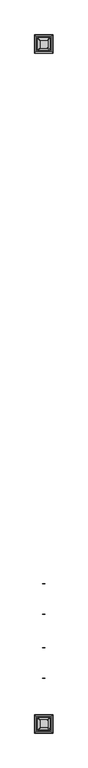
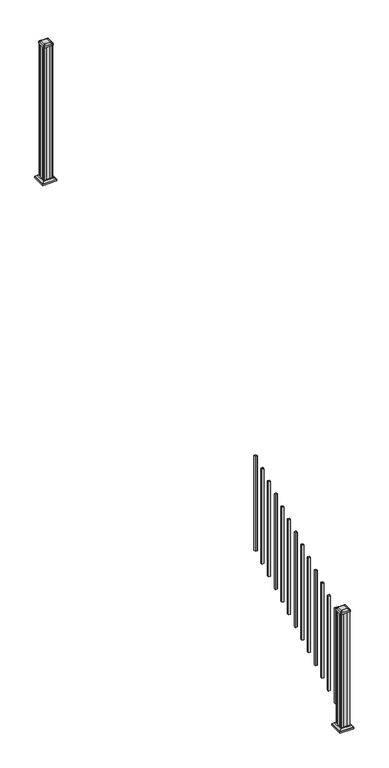
"""IFC4 building model written with IfcOpenShell, lengths in millimetres: railing geometry."""

from ifc_helpers import new_model, si_unit, point, frame, frame_2d, origin, place, context, project, spatial, polyline, circle_curve, trimmed, segment, composite_curve, outline, extrude, faceted_brep, source, transform, mapped, element, save
from ifc_brep_helpers import plane_surface, extruded_surface, advanced_brep


def railing_3f14f78f(model_context):
    return source(origin(), model_context, "Body", "SolidModel", [
        extrude(outline(polyline([(14471.4692659, 3183.9180319), (14471.4692659, 3202.9680319), (14490.5192659, 3202.9680319), (14490.5192659, 3183.9180319), (14471.4692659, 3183.9180319)]), holes=[polyline([(14471.8661409, 3184.3149069), (14490.1223909, 3184.3149069), (14490.1223909, 3202.5711569), (14471.8661409, 3202.5711569), (14471.8661409, 3184.3149069)])]), frame((0.0, 0.0, 1056.7417114), z_axis=(0.0, 0.0, 1.0), x_axis=(1.0, 0.0, 0.0)), (0.0, 0.0, 1.0), 965.2041219),
        extrude(outline(polyline([(14471.4692659, 3072.7930319), (14471.4692659, 3091.8430319), (14490.5192659, 3091.8430319), (14490.5192659, 3072.7930319), (14471.4692659, 3072.7930319)]), holes=[polyline([(14471.8661409, 3073.1899069), (14490.1223909, 3073.1899069), (14490.1223909, 3091.4461569), (14471.8661409, 3091.4461569), (14471.8661409, 3073.1899069)])]), frame((0.0, 0.0, 995.0056003), z_axis=(0.0, 0.0, 1.0), x_axis=(1.0, 0.0, 0.0)), (0.0, 0.0, 1.0), 965.2041219),
        extrude(outline(polyline([(14471.4692659, 2961.6680319), (14471.4692659, 2980.7180319), (14490.5192659, 2980.7180319), (14490.5192659, 2961.6680319), (14471.4692659, 2961.6680319)]), holes=[polyline([(14471.8661409, 2962.0649069), (14490.1223909, 2962.0649069), (14490.1223909, 2980.3211569), (14471.8661409, 2980.3211569), (14471.8661409, 2962.0649069)])]), frame((0.0, 0.0, 933.2694892), z_axis=(0.0, 0.0, 1.0), x_axis=(1.0, 0.0, 0.0)), (0.0, 0.0, 1.0), 965.2041219),
        extrude(outline(polyline([(14471.4692659, 2850.5430319), (14471.4692659, 2869.5930319), (14490.5192659, 2869.5930319), (14490.5192659, 2850.5430319), (14471.4692659, 2850.5430319)]), holes=[polyline([(14471.8661409, 2850.9399069), (14490.1223909, 2850.9399069), (14490.1223909, 2869.1961569), (14471.8661409, 2869.1961569), (14471.8661409, 2850.9399069)])]), frame((0.0, 0.0, 871.5333781), z_axis=(0.0, 0.0, 1.0), x_axis=(1.0, 0.0, 0.0)), (0.0, 0.0, 1.0), 965.2041219),
        extrude(outline(polyline([(14471.4692659, 2739.4180319), (14471.4692659, 2758.4680319), (14490.5192659, 2758.4680319), (14490.5192659, 2739.4180319), (14471.4692659, 2739.4180319)]), holes=[polyline([(14471.8661409, 2739.8149069), (14490.1223909, 2739.8149069), (14490.1223909, 2758.0711569), (14471.8661409, 2758.0711569), (14471.8661409, 2739.8149069)])]), frame((0.0, 0.0, 809.797267), z_axis=(0.0, 0.0, 1.0), x_axis=(1.0, 0.0, 0.0)), (0.0, 0.0, 1.0), 965.2041219),
        extrude(outline(polyline([(14471.4692659, 2628.2930319), (14471.4692659, 2647.3430319), (14490.5192659, 2647.3430319), (14490.5192659, 2628.2930319), (14471.4692659, 2628.2930319)]), holes=[polyline([(14471.8661409, 2628.6899069), (14490.1223909, 2628.6899069), (14490.1223909, 2646.9461569), (14471.8661409, 2646.9461569), (14471.8661409, 2628.6899069)])]), frame((0.0, 0.0, 748.0611558), z_axis=(0.0, 0.0, 1.0), x_axis=(1.0, 0.0, 0.0)), (0.0, 0.0, 1.0), 965.2041219),
        extrude(outline(polyline([(14471.4692659, 2517.1680319), (14471.4692659, 2536.2180319), (14490.5192659, 2536.2180319), (14490.5192659, 2517.1680319), (14471.4692659, 2517.1680319)]), holes=[polyline([(14471.8661409, 2517.5649069), (14490.1223909, 2517.5649069), (14490.1223909, 2535.8211569), (14471.8661409, 2535.8211569), (14471.8661409, 2517.5649069)])]), frame((0.0, 0.0, 686.3250447), z_axis=(0.0, 0.0, 1.0), x_axis=(1.0, 0.0, 0.0)), (0.0, 0.0, 1.0), 965.2041219),
        extrude(outline(polyline([(14471.4692659, 2406.0430319), (14471.4692659, 2425.0930319), (14490.5192659, 2425.0930319), (14490.5192659, 2406.0430319), (14471.4692659, 2406.0430319)]), holes=[polyline([(14471.8661409, 2406.4399069), (14490.1223909, 2406.4399069), (14490.1223909, 2424.6961569), (14471.8661409, 2424.6961569), (14471.8661409, 2406.4399069)])]), frame((0.0, 0.0, 624.5889336), z_axis=(0.0, 0.0, 1.0), x_axis=(1.0, 0.0, 0.0)), (0.0, 0.0, 1.0), 965.2041219),
        extrude(outline(polyline([(14471.4692659, 2294.9180319), (14471.4692659, 2313.9680319), (14490.5192659, 2313.9680319), (14490.5192659, 2294.9180319), (14471.4692659, 2294.9180319)]), holes=[polyline([(14471.8661409, 2295.3149069), (14490.1223909, 2295.3149069), (14490.1223909, 2313.5711569), (14471.8661409, 2313.5711569), (14471.8661409, 2295.3149069)])]), frame((0.0, 0.0, 562.8528225), z_axis=(0.0, 0.0, 1.0), x_axis=(1.0, 0.0, 0.0)), (0.0, 0.0, 1.0), 965.2041219),
        extrude(outline(polyline([(14471.4692659, 2183.7930319), (14471.4692659, 2202.8430319), (14490.5192659, 2202.8430319), (14490.5192659, 2183.7930319), (14471.4692659, 2183.7930319)]), holes=[polyline([(14471.8661409, 2184.1899069), (14490.1223909, 2184.1899069), (14490.1223909, 2202.4461569), (14471.8661409, 2202.4461569), (14471.8661409, 2184.1899069)])]), frame((0.0, 0.0, 501.1167114), z_axis=(0.0, 0.0, 1.0), x_axis=(1.0, 0.0, 0.0)), (0.0, 0.0, 1.0), 965.2041219),
        extrude(outline(polyline([(14471.4692659, 2072.6680319), (14471.4692659, 2091.7180319), (14490.5192659, 2091.7180319), (14490.5192659, 2072.6680319), (14471.4692659, 2072.6680319)]), holes=[polyline([(14471.8661409, 2073.0649069), (14490.1223909, 2073.0649069), (14490.1223909, 2091.3211569), (14471.8661409, 2091.3211569), (14471.8661409, 2073.0649069)])]), frame((0.0, 0.0, 439.3806003), z_axis=(0.0, 0.0, 1.0), x_axis=(1.0, 0.0, 0.0)), (0.0, 0.0, 1.0), 965.2041219),
        extrude(outline(polyline([(14471.4692659, 1961.5430319), (14471.4692659, 1980.5930319), (14490.5192659, 1980.5930319), (14490.5192659, 1961.5430319), (14471.4692659, 1961.5430319)]), holes=[polyline([(14471.8661409, 1961.9399069), (14490.1223909, 1961.9399069), (14490.1223909, 1980.1961569), (14471.8661409, 1980.1961569), (14471.8661409, 1961.9399069)])]), frame((0.0, 0.0, 377.6444892), z_axis=(0.0, 0.0, 1.0), x_axis=(1.0, 0.0, 0.0)), (0.0, 0.0, 1.0), 965.2041219),
        extrude(outline(polyline([(14471.4692659, 1850.4180319), (14471.4692659, 1869.4680319), (14490.5192659, 1869.4680319), (14490.5192659, 1850.4180319), (14471.4692659, 1850.4180319)]), holes=[polyline([(14471.8661409, 1850.8149069), (14490.1223909, 1850.8149069), (14490.1223909, 1869.0711569), (14471.8661409, 1869.0711569), (14471.8661409, 1850.8149069)])]), frame((0.0, 0.0, 315.9083781), z_axis=(0.0, 0.0, 1.0), x_axis=(1.0, 0.0, 0.0)), (0.0, 0.0, 1.0), 965.2041219),
        extrude(outline(polyline([(14520.6817659, 6655.7805319), (14501.0602659, 6655.7805319), (14500.2982659, 6657.3680319), (14461.6902659, 6657.3680319), (14460.9282659, 6655.7805319), (14441.3067659, 6655.7805319), (14439.7192659, 6657.3680319), (14439.7192659, 6676.9895319), (14441.3067659, 6677.7515319), (14441.3067659, 6716.3595319), (14439.7192659, 6717.1215319), (14439.7192659, 6736.7430319), (14441.3067659, 6738.3305319), (14460.9282659, 6738.3305319), (14461.6902659, 6736.7430319), (14500.2982659, 6736.7430319), (14501.0602659, 6738.3305319), (14520.6817659, 6738.3305319), (14522.2692659, 6736.7430319), (14522.2692659, 6717.1215319), (14520.6817659, 6716.3595319), (14520.6817659, 6677.7515319), (14522.2692659, 6676.9895319), (14522.2692659, 6657.3680319), (14520.6817659, 6655.7805319)])), frame((0.0, 0.0, 2709.3333333), z_axis=(0.0, 0.0, 1.0), x_axis=(1.0, 0.0, 0.0)), (0.0, 0.0, 1.0), 1376.0281519),
        faceted_brep([(14428.4083284, 6644.4695944, 2737.9083333), (14533.5802034, 6644.4695944, 2737.9083333), (14533.5802034, 6749.6414694, 2737.9083333), (14428.4083284, 6749.6414694, 2737.9083333), (14414.3688753, 6630.4301413, 2724.5733333), (14414.3688753, 6763.6809225, 2724.5733333), (14547.6196565, 6763.6809225, 2724.5733333), (14547.6196565, 6630.4301413, 2724.5733333)], [[[0, 1, 2, 3]], [[4, 5, 6, 7]], [[4, 7, 1, 0]], [[7, 6, 2, 1]], [[6, 5, 3, 2]], [[5, 4, 0, 3]]]),
        extrude(outline(polyline([(14414.3688753, 6630.4301413), (14414.3688753, 6763.6809225), (14547.6196565, 6763.6809225), (14547.6196565, 6630.4301413), (14414.3688753, 6630.4301413)])), frame((0.0, 0.0, 2709.3333333), z_axis=(0.0, 0.0, 1.0), x_axis=(1.0, 0.0, 0.0)), (0.0, 0.0, 1.0), 15.24),
        advanced_brep(
        [(14506.7911409, 6668.0836569, 4113.9364852), (14509.9661409, 6671.2586569, 4113.9364852), (14509.9661409, 6722.8524069, 4113.9364852), (14506.7911409, 6726.0274069, 4113.9364852), (14455.1973909, 6726.0274069, 4113.9364852), (14452.0223909, 6722.8524069, 4113.9364852), (14452.0223909, 6671.2586569, 4113.9364852), (14455.1973909, 6668.0836569, 4113.9364852), (14523.0630159, 6651.8117819, 4102.6334852), (14438.9255159, 6651.8117819, 4102.6334852), (14435.7505159, 6654.9867819, 4102.6334852), (14435.7505159, 6739.1242819, 4102.6334852), (14438.9255159, 6742.2992819, 4102.6334852), (14523.0630159, 6742.2992819, 4102.6334852), (14526.2380159, 6739.1242819, 4102.6334852), (14526.2380159, 6654.9867819, 4102.6334852)],
        [
            (0, 1, circle_curve(frame((14506.7911409, 6671.2586569, 4113.9364852), z_axis=(0.0, 0.0, 1.0), x_axis=(0.0, 1.0, 0.0)), 3.175)),
            (1, 2),
            (2, 3, circle_curve(frame((14506.7911409, 6722.8524069, 4113.9364852), z_axis=(0.0, 0.0, 1.0), x_axis=(0.0, 1.0, 0.0)), 3.175)),
            (3, 4),
            (4, 5, circle_curve(frame((14455.1973909, 6722.8524069, 4113.9364852), z_axis=(0.0, 0.0, 1.0), x_axis=(0.0, 1.0, 0.0)), 3.175)),
            (5, 6),
            (6, 7, circle_curve(frame((14455.1973909, 6671.2586569, 4113.9364852), z_axis=(0.0, 0.0, 1.0), x_axis=(0.0, 1.0, 0.0)), 3.175)),
            (7, 0),
            (8, 9),
            (9, 10, circle_curve(frame((14438.9255159, 6654.9867819, 4102.6334852), z_axis=(0.0, 0.0, -1.0), x_axis=(0.0, 1.0, 0.0)), 3.175)),
            (10, 11),
            (11, 12, circle_curve(frame((14438.9255159, 6739.1242819, 4102.6334852), z_axis=(0.0, 0.0, -1.0), x_axis=(0.0, 1.0, 0.0)), 3.175)),
            (12, 13),
            (13, 14, circle_curve(frame((14523.0630159, 6739.1242819, 4102.6334852), z_axis=(0.0, 0.0, -1.0), x_axis=(0.0, 1.0, 0.0)), 3.175)),
            (14, 15),
            (15, 8, circle_curve(frame((14523.0630159, 6654.9867819, 4102.6334852), z_axis=(0.0, 0.0, -1.0), x_axis=(0.0, 1.0, 0.0)), 3.175)),
            (15, 1),
            (0, 8),
            (14, 2),
            (13, 3),
            (12, 4),
            (11, 5),
            (10, 6),
            (9, 7),
        ],
        [
            plane_surface(frame((14480.9942659, 6697.0555319, 4113.9364852), z_axis=(0.0, 0.0, 1.0), x_axis=(1.0, 0.0, 0.0))),
            plane_surface(frame((14480.9942659, 6697.0555319, 4102.6334852), z_axis=(0.0, 0.0, -1.0), x_axis=(1.0, 0.0, 0.0))),
            extruded_surface(trimmed(circle_curve(frame((14523.0630159, 6654.9867819, 4102.6334852), z_axis=(0.0, 0.0, 1.0), x_axis=(0.0, 1.0, 0.0)), 3.175), [point((14523.0630159, 6651.8117819, 4102.6334852))], [point((14526.2380159, 6654.9867819, 4102.6334852))], True, "CARTESIAN"), (-16.271874999998545, 16.271874999999454, 11.302999999999884), 25.63797263886484),
            plane_surface(frame((14526.2380159, 6697.0555319, 4102.6334852), z_axis=(0.5705009161540685, 0.0, 0.8212969649690474), x_axis=(0.0, 1.0, 0.0))),
            extruded_surface(trimmed(circle_curve(frame((14523.0630159, 6739.1242819, 4102.6334852), z_axis=(0.0, 0.0, 1.0), x_axis=(0.0, 1.0, 0.0)), 3.175), [point((14526.2380159, 6739.1242819, 4102.6334852))], [point((14523.0630159, 6742.2992819, 4102.6334852))], True, "CARTESIAN"), (-16.271874999998545, -16.271875000000364, 11.302999999999884), 25.63797263886542),
            plane_surface(frame((14480.9942659, 6742.2992819, 4102.6334852), z_axis=(0.0, 0.5705009161540291, 0.8212969649690747), x_axis=(-1.0, 0.0, 0.0))),
            extruded_surface(trimmed(circle_curve(frame((14438.9255159, 6739.1242819, 4102.6334852), z_axis=(0.0, 0.0, 1.0), x_axis=(0.0, 1.0, 0.0)), 3.175), [point((14438.9255159, 6742.2992819, 4102.6334852))], [point((14435.7505159, 6739.1242819, 4102.6334852))], True, "CARTESIAN"), (16.271875000000364, -16.271875000000364, 11.302999999999884), 25.63797263886657),
            plane_surface(frame((14435.7505159, 6697.0555319, 4102.6334852), z_axis=(-0.5705009161540235, 0.0, 0.8212969649690786), x_axis=(0.0, -1.0, 0.0))),
            extruded_surface(trimmed(circle_curve(frame((14438.9255159, 6654.9867819, 4102.6334852), z_axis=(0.0, 0.0, 1.0), x_axis=(0.0, 1.0, 0.0)), 3.175), [point((14435.7505159, 6654.9867819, 4102.6334852))], [point((14438.9255159, 6651.8117819, 4102.6334852))], True, "CARTESIAN"), (16.271875000000364, 16.271874999999454, 11.302999999999884), 25.637972638865996),
            plane_surface(frame((14480.9942659, 6651.8117819, 4102.6334852), z_axis=(0.0, -0.570500916154034, 0.8212969649690713), x_axis=(1.0, 0.0, 0.0))),
        ],
        [
            (0, [[1, 2, 3, 4, 5, 6, 7, 8]]),
            (1, [[9, 10, 11, 12, 13, 14, 15, 16]]),
            (2, [[-16, 17, -1, 18]]),
            (3, [[-15, 19, -2, -17]]),
            (4, [[-14, 20, -3, -19]]),
            (5, [[-13, 21, -4, -20]]),
            (6, [[-12, 22, -5, -21]]),
            (7, [[-11, 23, -6, -22]]),
            (8, [[-10, 24, -7, -23]]),
            (9, [[-9, -18, -8, -24]]),
        ],
    ),
        extrude(outline(composite_curve([segment(polyline([(14523.0630159, 6651.8117819), (14438.9255159, 6651.8117819)]), True, "CONTINUOUS"), segment(trimmed(circle_curve(frame_2d((14438.9255159, 6654.9867819)), 3.175), [point((14438.9255159, 6651.8117819))], [point((14435.7505159, 6654.9867819))], False, "CARTESIAN"), True, "CONTINUOUS"), segment(polyline([(14435.7505159, 6654.9867819), (14435.7505159, 6739.1242819)]), True, "CONTINUOUS"), segment(trimmed(circle_curve(frame_2d((14438.9255159, 6739.1242819)), 3.175), [point((14435.7505159, 6739.1242819))], [point((14438.9255159, 6742.2992819))], False, "CARTESIAN"), True, "CONTINUOUS"), segment(polyline([(14438.9255159, 6742.2992819), (14523.0630159, 6742.2992819)]), True, "CONTINUOUS"), segment(trimmed(circle_curve(frame_2d((14523.0630159, 6739.1242819)), 3.175), [point((14523.0630159, 6742.2992819))], [point((14526.2380159, 6739.1242819))], False, "CARTESIAN"), True, "CONTINUOUS"), segment(polyline([(14526.2380159, 6739.1242819), (14526.2380159, 6654.9867819)]), True, "CONTINUOUS"), segment(trimmed(circle_curve(frame_2d((14523.0630159, 6654.9867819)), 3.175), [point((14526.2380159, 6654.9867819))], [point((14523.0630159, 6651.8117819))], False, "CARTESIAN"), True, "CONTINUOUS")], self_intersect=False)), frame((0.0, 0.0, 4085.3614852), z_axis=(0.0, 0.0, 1.0), x_axis=(1.0, 0.0, 0.0)), (0.0, 0.0, 1.0), 17.272),
        faceted_brep([(14428.4083284, 1685.1195944, 174.9777778), (14533.5802034, 1685.1195944, 174.9777778), (14533.5802034, 1790.2914694, 174.9777778), (14428.4083284, 1790.2914694, 174.9777778), (14414.3688753, 1671.0801413, 161.6427778), (14414.3688753, 1804.3309225, 161.6427778), (14547.6196565, 1804.3309225, 161.6427778), (14547.6196565, 1671.0801413, 161.6427778)], [[[0, 1, 2, 3]], [[4, 5, 6, 7]], [[4, 7, 1, 0]], [[7, 6, 2, 1]], [[6, 5, 3, 2]], [[5, 4, 0, 3]]]),
        extrude(outline(polyline([(14414.3688753, 1671.0801413), (14414.3688753, 1804.3309225), (14547.6196565, 1804.3309225), (14547.6196565, 1671.0801413), (14414.3688753, 1671.0801413)])), frame((0.0, 0.0, 146.4027778), z_axis=(0.0, 0.0, 1.0), x_axis=(1.0, 0.0, 0.0)), (0.0, 0.0, 1.0), 15.24),
        advanced_brep(
        [(14506.7911409, 1708.7336569, 1358.7420408), (14509.9661409, 1711.9086569, 1358.7420408), (14509.9661409, 1763.5024069, 1358.7420408), (14506.7911409, 1766.6774069, 1358.7420408), (14455.1973909, 1766.6774069, 1358.7420408), (14452.0223909, 1763.5024069, 1358.7420408), (14452.0223909, 1711.9086569, 1358.7420408), (14455.1973909, 1708.7336569, 1358.7420408), (14523.0630159, 1692.4617819, 1347.4390408), (14438.9255159, 1692.4617819, 1347.4390408), (14435.7505159, 1695.6367819, 1347.4390408), (14435.7505159, 1779.7742819, 1347.4390408), (14438.9255159, 1782.9492819, 1347.4390408), (14523.0630159, 1782.9492819, 1347.4390408), (14526.2380159, 1779.7742819, 1347.4390408), (14526.2380159, 1695.6367819, 1347.4390408)],
        [
            (0, 1, circle_curve(frame((14506.7911409, 1711.9086569, 1358.7420408), z_axis=(0.0, 0.0, 1.0), x_axis=(0.0, 1.0, 0.0)), 3.175)),
            (1, 2),
            (2, 3, circle_curve(frame((14506.7911409, 1763.5024069, 1358.7420408), z_axis=(0.0, 0.0, 1.0), x_axis=(0.0, 1.0, 0.0)), 3.175)),
            (3, 4),
            (4, 5, circle_curve(frame((14455.1973909, 1763.5024069, 1358.7420408), z_axis=(0.0, 0.0, 1.0), x_axis=(0.0, 1.0, 0.0)), 3.175)),
            (5, 6),
            (6, 7, circle_curve(frame((14455.1973909, 1711.9086569, 1358.7420408), z_axis=(0.0, 0.0, 1.0), x_axis=(0.0, 1.0, 0.0)), 3.175)),
            (7, 0),
            (8, 9),
            (9, 10, circle_curve(frame((14438.9255159, 1695.6367819, 1347.4390408), z_axis=(0.0, 0.0, -1.0), x_axis=(0.0, 1.0, 0.0)), 3.175)),
            (10, 11),
            (11, 12, circle_curve(frame((14438.9255159, 1779.7742819, 1347.4390408), z_axis=(0.0, 0.0, -1.0), x_axis=(0.0, 1.0, 0.0)), 3.175)),
            (12, 13),
            (13, 14, circle_curve(frame((14523.0630159, 1779.7742819, 1347.4390408), z_axis=(0.0, 0.0, -1.0), x_axis=(0.0, 1.0, 0.0)), 3.175)),
            (14, 15),
            (15, 8, circle_curve(frame((14523.0630159, 1695.6367819, 1347.4390408), z_axis=(0.0, 0.0, -1.0), x_axis=(0.0, 1.0, 0.0)), 3.175)),
            (15, 1),
            (0, 8),
            (14, 2),
            (13, 3),
            (12, 4),
            (11, 5),
            (10, 6),
            (9, 7),
        ],
        [
            plane_surface(frame((14480.9942659, 1737.7055319, 1358.7420408), z_axis=(0.0, 0.0, 1.0), x_axis=(1.0, 0.0, 0.0))),
            plane_surface(frame((14480.9942659, 1737.7055319, 1347.4390408), z_axis=(0.0, 0.0, -1.0), x_axis=(1.0, 0.0, 0.0))),
            extruded_surface(trimmed(circle_curve(frame((14523.0630159, 1695.6367819, 1347.4390408), z_axis=(0.0, 0.0, 1.0), x_axis=(0.0, 1.0, 0.0)), 3.175), [point((14523.0630159, 1692.4617819, 1347.4390408))], [point((14526.2380159, 1695.6367819, 1347.4390408))], True, "CARTESIAN"), (-16.271874999998545, 16.271875000000136, 11.303000000000111), 25.637972638865374),
            plane_surface(frame((14526.2380159, 1737.7055319, 1347.4390408), z_axis=(0.5705009161540778, 0.0, 0.8212969649690408), x_axis=(0.0, 1.0, 0.0))),
            extruded_surface(trimmed(circle_curve(frame((14523.0630159, 1779.7742819, 1347.4390408), z_axis=(0.0, 0.0, 1.0), x_axis=(0.0, 1.0, 0.0)), 3.175), [point((14526.2380159, 1779.7742819, 1347.4390408))], [point((14523.0630159, 1782.9492819, 1347.4390408))], True, "CARTESIAN"), (-16.271874999998545, -16.27187499999991, 11.303000000000111), 25.63797263886523),
            plane_surface(frame((14480.9942659, 1782.9492819, 1347.4390408), z_axis=(0.0, 0.5705009161540291, 0.8212969649690747), x_axis=(-1.0, 0.0, 0.0))),
            extruded_surface(trimmed(circle_curve(frame((14438.9255159, 1779.7742819, 1347.4390408), z_axis=(0.0, 0.0, 1.0), x_axis=(0.0, 1.0, 0.0)), 3.175), [point((14438.9255159, 1782.9492819, 1347.4390408))], [point((14435.7505159, 1779.7742819, 1347.4390408))], True, "CARTESIAN"), (16.271875000000364, -16.27187499999991, 11.303000000000111), 25.637972638866383),
            plane_surface(frame((14435.7505159, 1737.7055319, 1347.4390408), z_axis=(-0.5705009161540142, 0.0, 0.8212969649690851), x_axis=(0.0, -1.0, 0.0))),
            extruded_surface(trimmed(circle_curve(frame((14438.9255159, 1695.6367819, 1347.4390408), z_axis=(0.0, 0.0, 1.0), x_axis=(0.0, 1.0, 0.0)), 3.175), [point((14435.7505159, 1695.6367819, 1347.4390408))], [point((14438.9255159, 1692.4617819, 1347.4390408))], True, "CARTESIAN"), (16.271875000000364, 16.271875000000136, 11.303000000000111), 25.63797263886653),
            plane_surface(frame((14480.9942659, 1692.4617819, 1347.4390408), z_axis=(0.0, -0.570500916154034, 0.8212969649690713), x_axis=(1.0, 0.0, 0.0))),
        ],
        [
            (0, [[1, 2, 3, 4, 5, 6, 7, 8]]),
            (1, [[9, 10, 11, 12, 13, 14, 15, 16]]),
            (2, [[-16, 17, -1, 18]]),
            (3, [[-15, 19, -2, -17]]),
            (4, [[-14, 20, -3, -19]]),
            (5, [[-13, 21, -4, -20]]),
            (6, [[-12, 22, -5, -21]]),
            (7, [[-11, 23, -6, -22]]),
            (8, [[-10, 24, -7, -23]]),
            (9, [[-9, -18, -8, -24]]),
        ],
    ),
        extrude(outline(composite_curve([segment(polyline([(14523.0630159, 1692.4617819), (14438.9255159, 1692.4617819)]), True, "CONTINUOUS"), segment(trimmed(circle_curve(frame_2d((14438.9255159, 1695.6367819)), 3.175), [point((14438.9255159, 1692.4617819))], [point((14435.7505159, 1695.6367819))], False, "CARTESIAN"), True, "CONTINUOUS"), segment(polyline([(14435.7505159, 1695.6367819), (14435.7505159, 1779.7742819)]), True, "CONTINUOUS"), segment(trimmed(circle_curve(frame_2d((14438.9255159, 1779.7742819)), 3.175), [point((14435.7505159, 1779.7742819))], [point((14438.9255159, 1782.9492819))], False, "CARTESIAN"), True, "CONTINUOUS"), segment(polyline([(14438.9255159, 1782.9492819), (14523.0630159, 1782.9492819)]), True, "CONTINUOUS"), segment(trimmed(circle_curve(frame_2d((14523.0630159, 1779.7742819)), 3.175), [point((14523.0630159, 1782.9492819))], [point((14526.2380159, 1779.7742819))], False, "CARTESIAN"), True, "CONTINUOUS"), segment(polyline([(14526.2380159, 1779.7742819), (14526.2380159, 1695.6367819)]), True, "CONTINUOUS"), segment(trimmed(circle_curve(frame_2d((14523.0630159, 1695.6367819)), 3.175), [point((14526.2380159, 1695.6367819))], [point((14523.0630159, 1692.4617819))], False, "CARTESIAN"), True, "CONTINUOUS")], self_intersect=False)), frame((0.0, 0.0, 1330.1670408), z_axis=(0.0, 0.0, 1.0), x_axis=(1.0, 0.0, 0.0)), (0.0, 0.0, 1.0), 17.272),
        extrude(outline(polyline([(14520.6817659, 1696.4305319), (14501.0602659, 1696.4305319), (14500.2982659, 1698.0180319), (14461.6902659, 1698.0180319), (14460.9282659, 1696.4305319), (14441.3067659, 1696.4305319), (14439.7192659, 1698.0180319), (14439.7192659, 1717.6395319), (14441.3067659, 1718.4015319), (14441.3067659, 1757.0095319), (14439.7192659, 1757.7715319), (14439.7192659, 1777.3930319), (14441.3067659, 1778.9805319), (14460.9282659, 1778.9805319), (14461.6902659, 1777.3930319), (14500.2982659, 1777.3930319), (14501.0602659, 1778.9805319), (14520.6817659, 1778.9805319), (14522.2692659, 1777.3930319), (14522.2692659, 1757.7715319), (14520.6817659, 1757.0095319), (14520.6817659, 1718.4015319), (14522.2692659, 1717.6395319), (14522.2692659, 1698.0180319), (14520.6817659, 1696.4305319)])), frame((0.0, 0.0, 146.4027778), z_axis=(0.0, 0.0, 1.0), x_axis=(1.0, 0.0, 0.0)), (0.0, 0.0, 1.0), 1183.764263),
    ])


if __name__ == "__main__":
    model = new_model("IFC4")
    model_context = context("Model", 3, world=origin())
    ifc_project = project(units=[si_unit("LENGTHUNIT", "METRE", prefix="MILLI")], contexts=[model_context])
    site = spatial("IfcSite", under=ifc_project)
    building = spatial("IfcBuilding", under=site)
    placement = place(None, origin())
    railing_shape = railing_3f14f78f(model_context)
    element("IfcRailing", 1, at=placement, inside=building, context=model_context, shape_type="MappedRepresentation", body=[
        mapped(railing_shape, transform((0.0, 0.0, 0.0), x_axis=(1.0, 0.0, 0.0), y_axis=(0.0, 1.0, 0.0), z_axis=(0.0, 0.0, 1.0))),
    ])
    save(model, "model.ifc")
